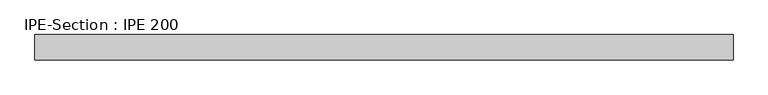
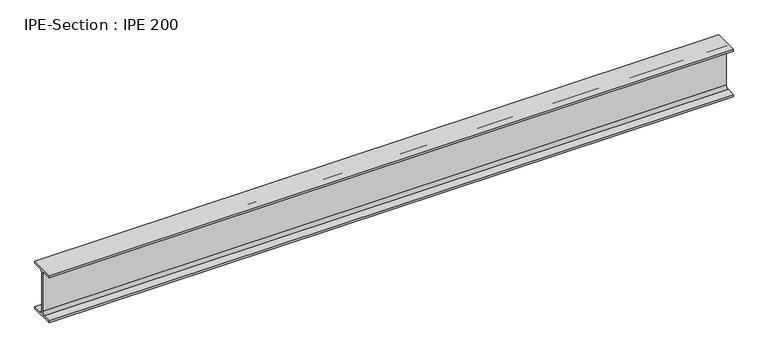
"""IFC4 building model written with IfcOpenShell, lengths in millimetres: beam geometry, IPE-Section : IPE 200."""

from ifc_helpers import new_model, si_unit, point, frame, frame_2d, origin, place, context, project, spatial, polyline, circle_curve, trimmed, segment, composite_curve, outline, extrude, source, transform, mapped, element, save


def ipe_section_ipe_200_7534eeb2(model_context):
    return source(origin(), model_context, "Body", "SweptSolid", [
        extrude(outline(composite_curve([segment(polyline([(50.0, -91.5), (50.0, -100.0), (-50.0, -100.0), (-50.0, -91.5), (-14.8, -91.5)]), True, "CONTINUOUS"), segment(trimmed(circle_curve(frame_2d((-14.8, -79.5)), 12.0), [point((-14.8, -91.5))], [point((-2.8, -79.5))], True, "CARTESIAN"), True, "CONTINUOUS"), segment(polyline([(-2.8, -79.5), (-2.8, 79.5)]), True, "CONTINUOUS"), segment(trimmed(circle_curve(frame_2d((-14.8, 79.5)), 12.0), [point((-2.8, 79.5))], [point((-14.8, 91.5))], True, "CARTESIAN"), True, "CONTINUOUS"), segment(polyline([(-14.8, 91.5), (-50.0, 91.5), (-50.0, 100.0), (50.0, 100.0), (50.0, 91.5), (14.8, 91.5)]), True, "CONTINUOUS"), segment(trimmed(circle_curve(frame_2d((14.8, 79.5)), 12.0), [point((14.8, 91.5))], [point((2.8, 79.5))], True, "CARTESIAN"), True, "CONTINUOUS"), segment(polyline([(2.8, 79.5), (2.8, -79.5)]), True, "CONTINUOUS"), segment(trimmed(circle_curve(frame_2d((14.8, -79.5)), 12.0), [point((2.8, -79.5))], [point((14.8, -91.5))], True, "CARTESIAN"), True, "CONTINUOUS"), segment(polyline([(14.8, -91.5), (50.0, -91.5)]), True, "CONTINUOUS")], self_intersect=False)), frame((-1367.3, 0.0, 0.0), z_axis=(1.0, 0.0, 0.0), x_axis=(0.0, 1.0, 0.0)), (0.0, 0.0, 1.0), 2734.6),
    ])


if __name__ == "__main__":
    model = new_model("IFC4")
    model_context = context("Model", 3, world=origin())
    ifc_project = project(units=[si_unit("LENGTHUNIT", "METRE", prefix="MILLI")], contexts=[model_context])
    site = spatial("IfcSite", under=ifc_project)
    building = spatial("IfcBuilding", under=site)
    placement = place(None, origin())
    ipe_section_ipe_200_shape = ipe_section_ipe_200_7534eeb2(model_context)
    element("IfcBeam", 1, ObjectType="IPE-Section : IPE 200", at=placement, inside=building, context=model_context, shape_type="MappedRepresentation", body=[
        mapped(ipe_section_ipe_200_shape, transform((0.0, 0.0, 0.0), x_axis=(1.0, 0.0, 0.0), y_axis=(0.0, 1.0, 0.0), z_axis=(0.0, 0.0, 1.0))),
    ])
    save(model, "model.ifc")
